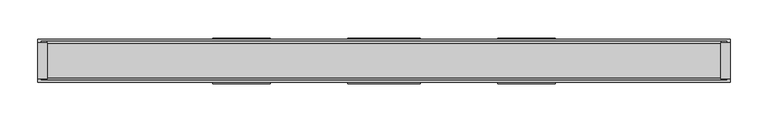
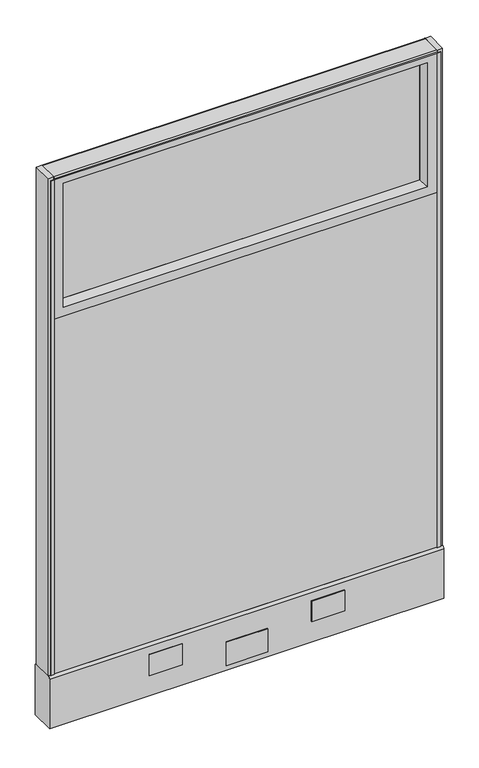
"""IFC4 building model written with IfcOpenShell, lengths in millimetres: furniture geometry."""

from ifc_helpers import new_model, si_unit, point, frame, frame_2d, origin, place, context, project, spatial, polyline, circle_curve, trimmed, segment, composite_curve, outline, extrude, faceted_brep, source, transform, mapped, element, save
from ifc_brep_helpers import plane_surface, cylinder_surface, advanced_brep


def furniture_c2518dbf(model_context):
    return source(origin(), model_context, "Body", "SolidModel", [
        extrude(outline(polyline([(444.5, 23.8125), (444.5, 0.0), (-444.5, 0.0), (-444.5, 23.8125), (444.5, 23.8125)])), frame((0.0, 0.0, 136.525), z_axis=(0.0, 0.0, 1.0), x_axis=(1.0, 0.0, 0.0)), (0.0, 0.0, 1.0), 869.9500242),
        extrude(outline(polyline([(415.9280802, 3.5657282), (415.9280802, -3.5657282), (-415.9209786, -3.5657282), (-415.9209786, 3.5657282), (415.9280802, 3.5657282)])), frame((0.0, 0.0, 1035.0500242), z_axis=(0.0, 0.0, 1.0), x_axis=(1.0, 0.0, 0.0)), (0.0, 0.0, 1.0), 290.5125727),
        faceted_brep([(422.2790846, 23.8125, 1028.6990198), (415.9280802, 3.5657282, 1035.0500242), (415.9280802, 3.5657282, 1325.5625969), (422.2790846, 23.8125, 1331.9136014), (444.5030802, -23.8125, 1006.4750242), (444.5030802, 23.8125, 1006.4750242), (444.5030802, 23.8125, 1354.1375969), (444.5030802, -23.8125, 1354.1375969), (415.9280802, -3.5657282, 1035.0500242), (422.2790846, -23.8125, 1028.6990198), (422.2790846, -23.8125, 1331.9136014), (415.9280802, -3.5657282, 1325.5625969), (-415.9209786, 3.5657282, 1325.5625969), (-422.2719831, 23.8125, 1331.9136014), (-444.4959786, 23.8125, 1354.1375969), (-444.4959786, -23.8125, 1354.1375969), (-422.2719831, -23.8125, 1331.9136014), (-415.9209786, -3.5657282, 1325.5625969), (-415.9209786, 3.5657282, 1035.0500242), (-422.2719831, 23.8125, 1028.6990198), (-444.4959786, 23.8125, 1006.4750242), (-444.4959786, -23.8125, 1006.4750242), (-422.2719831, -23.8125, 1028.6990198), (-415.9209786, -3.5657282, 1035.0500242)], [[[0, 1, 2, 3]], [[4, 5, 6, 7]], [[8, 9, 10, 11]], [[1, 8, 11, 2]], [[3, 2, 12, 13]], [[7, 6, 14, 15]], [[11, 10, 16, 17]], [[2, 11, 17, 12]], [[13, 12, 18, 19]], [[15, 14, 20, 21]], [[17, 16, 22, 23]], [[12, 17, 23, 18]], [[19, 18, 1, 0]], [[5, 20, 14, 6], [3, 13, 19, 0]], [[21, 20, 5, 4]], [[7, 15, 21, 4], [9, 22, 16, 10]], [[23, 22, 9, 8]], [[18, 23, 8, 1]]]),
        extrude(outline(polyline([(47.625, 28.575), (-47.625, 28.575), (-47.625, 30.1625), (47.625, 30.1625), (47.625, 28.575)])), frame((0.0, 0.0, 22.225), z_axis=(0.0, 0.0, 1.0), x_axis=(1.0, 0.0, 0.0)), (0.0, 0.0, 1.0), 57.15),
        extrude(outline(polyline([(47.625, -30.1625), (-47.625, -30.1625), (-47.625, -28.575), (47.625, -28.575), (47.625, -30.1625)])), frame((0.0, 0.0, 22.225), z_axis=(0.0, 0.0, 1.0), x_axis=(1.0, 0.0, 0.0)), (0.0, 0.0, 1.0), 57.15),
        advanced_brep(
        [(400.05, 0.0, 0.0), (425.45, 0.0, 0.0), (412.75, 0.0, 0.0), (400.05, 0.0, 4.7625), (425.45, 0.0, 4.7625), (406.4, 0.0, 4.7625), (419.1, 0.0, 4.7625), (406.4, 0.0, 111.125), (419.1, 0.0, 111.125), (412.75, 0.0, 111.125)],
        [
            (0, 1, circle_curve(frame((412.75, 0.0, 0.0), z_axis=(0.0, 0.0, -1.0), x_axis=(1.0, 0.0, 0.0)), 12.7)),
            (1, 2),
            (2, 0),
            (1, 0, circle_curve(frame((412.75, 0.0, 0.0), z_axis=(0.0, 0.0, -1.0), x_axis=(1.0, 0.0, 0.0)), 12.7)),
            (3, 4, circle_curve(frame((412.75, 0.0, 4.7625), z_axis=(0.0, 0.0, -1.0), x_axis=(1.0, 0.0, 0.0)), 12.7)),
            (4, 1),
            (0, 3),
            (4, 3, circle_curve(frame((412.75, 0.0, 4.7625), z_axis=(0.0, 0.0, -1.0), x_axis=(1.0, 0.0, 0.0)), 12.7)),
            (5, 6, circle_curve(frame((412.75, 0.0, 4.7625), z_axis=(0.0, 0.0, -1.0), x_axis=(1.0, 0.0, 0.0)), 6.35)),
            (6, 4),
            (3, 5),
            (6, 5, circle_curve(frame((412.75, 0.0, 4.7625), z_axis=(0.0, 0.0, -1.0), x_axis=(1.0, 0.0, 0.0)), 6.35)),
            (7, 8, circle_curve(frame((412.75, 0.0, 111.125), z_axis=(0.0, 0.0, -1.0), x_axis=(1.0, 0.0, 0.0)), 6.35)),
            (8, 6),
            (5, 7),
            (8, 7, circle_curve(frame((412.75, 0.0, 111.125), z_axis=(0.0, 0.0, -1.0), x_axis=(1.0, 0.0, 0.0)), 6.35)),
            (9, 8),
            (7, 9),
        ],
        [
            plane_surface(frame((412.75, 0.0, 0.0), z_axis=(0.0, 0.0, -1.0), x_axis=(1.0, 0.0, 0.0))),
            cylinder_surface(frame((412.75, 0.0, 114.882153), z_axis=(0.0, 0.0, 1.0), x_axis=(1.0, 0.0, 0.0)), 12.7),
            plane_surface(frame((412.75, 0.0, 4.7625), z_axis=(0.0, 0.0, 1.0), x_axis=(1.0, 0.0, 0.0))),
            cylinder_surface(frame((412.75, 0.0, 114.882153), z_axis=(0.0, 0.0, 1.0), x_axis=(1.0, 0.0, 0.0)), 6.35),
            plane_surface(frame((412.75, 0.0, 111.125), z_axis=(0.0, 0.0, 1.0), x_axis=(1.0, 0.0, 0.0))),
        ],
        [
            (0, [[1, 2, 3]]),
            (0, [[4, -3, -2]]),
            (1, [[5, 6, -1, 7]]),
            (1, [[8, -7, -4, -6]]),
            (2, [[9, 10, -5, 11]]),
            (2, [[12, -11, -8, -10]]),
            (3, [[13, 14, -9, 15]]),
            (3, [[16, -15, -12, -14]]),
            (4, [[17, -13, 18]]),
            (4, [[-18, -16, -17]]),
        ],
    ),
        advanced_brep(
        [(-425.45, 0.0, 4.7625), (-400.05, 0.0, 4.7625), (-400.05, 0.0, 0.0), (-425.45, 0.0, 0.0), (-419.1, 0.0, 4.7625), (-406.4, 0.0, 4.7625), (-419.1, 0.0, 111.125), (-406.4, 0.0, 111.125), (-412.75, 0.0, 111.125), (-412.75, 0.0, 0.0)],
        [
            (0, 1, circle_curve(frame((-412.75, 0.0, 4.7625), z_axis=(0.0, 0.0, -1.0), x_axis=(1.0, 0.0, 0.0)), 12.7)),
            (1, 2),
            (2, 3, circle_curve(frame((-412.75, 0.0, 0.0), z_axis=(0.0, 0.0, 1.0), x_axis=(1.0, 0.0, 0.0)), 12.7)),
            (3, 0),
            (1, 0, circle_curve(frame((-412.75, 0.0, 4.7625), z_axis=(0.0, 0.0, -1.0), x_axis=(1.0, 0.0, 0.0)), 12.7)),
            (3, 2, circle_curve(frame((-412.75, 0.0, 0.0), z_axis=(0.0, 0.0, 1.0), x_axis=(1.0, 0.0, 0.0)), 12.7)),
            (4, 5, circle_curve(frame((-412.75, 0.0, 4.7625), z_axis=(0.0, 0.0, -1.0), x_axis=(1.0, 0.0, 0.0)), 6.35)),
            (5, 1),
            (0, 4),
            (5, 4, circle_curve(frame((-412.75, 0.0, 4.7625), z_axis=(0.0, 0.0, -1.0), x_axis=(1.0, 0.0, 0.0)), 6.35)),
            (6, 7, circle_curve(frame((-412.75, 0.0, 111.125), z_axis=(0.0, 0.0, -1.0), x_axis=(1.0, 0.0, 0.0)), 6.35)),
            (7, 5),
            (4, 6),
            (7, 6, circle_curve(frame((-412.75, 0.0, 111.125), z_axis=(0.0, 0.0, -1.0), x_axis=(1.0, 0.0, 0.0)), 6.35)),
            (8, 7),
            (6, 8),
            (2, 9),
            (9, 3),
        ],
        [
            cylinder_surface(frame((-412.75, 0.0, 123.825), z_axis=(0.0, 0.0, 1.0), x_axis=(1.0, 0.0, 0.0)), 12.7),
            plane_surface(frame((-412.75, 0.0, 4.7625), z_axis=(0.0, 0.0, 1.0), x_axis=(1.0, 0.0, 0.0))),
            cylinder_surface(frame((-412.75, 0.0, 123.825), z_axis=(0.0, 0.0, 1.0), x_axis=(1.0, 0.0, 0.0)), 6.35),
            plane_surface(frame((-412.75, 0.0, 111.125), z_axis=(0.0, 0.0, 1.0), x_axis=(1.0, 0.0, 0.0))),
            plane_surface(frame((-412.75, 0.0, 0.0), z_axis=(0.0, 0.0, -1.0), x_axis=(1.0, 0.0, 0.0))),
        ],
        [
            (0, [[1, 2, 3, 4]]),
            (0, [[5, -4, 6, -2]]),
            (1, [[7, 8, -1, 9]]),
            (1, [[10, -9, -5, -8]]),
            (2, [[11, 12, -7, 13]]),
            (2, [[14, -13, -10, -12]]),
            (3, [[15, -11, 16]]),
            (3, [[-16, -14, -15]]),
            (4, [[-3, 17, 18]]),
            (4, [[-6, -18, -17]]),
        ],
    ),
        extrude(outline(polyline([(-457.2, 23.8125), (-444.5, 23.8125), (-444.5, -23.8125), (-457.2, -23.8125), (-457.2, 23.8125)])), frame((0.0, 0.0, 136.525), z_axis=(0.0, 0.0, 1.0), x_axis=(1.0, 0.0, 0.0)), (0.0, 0.0, 1.0), 1219.2),
        extrude(outline(polyline([(444.5, -23.8125), (444.5, 23.8125), (457.2, 23.8125), (457.2, -23.8125), (444.5, -23.8125)])), frame((0.0, 0.0, 136.525), z_axis=(0.0, 0.0, 1.0), x_axis=(1.0, 0.0, 0.0)), (0.0, 0.0, 1.0), 1219.2),
        extrude(outline(polyline([(-444.5, 25.4), (-444.5, 23.8125), (-452.4375, 23.8125), (-452.4375, 25.4), (-444.5, 25.4)])), frame((0.0, 0.0, 136.525), z_axis=(0.0, 0.0, 1.0), x_axis=(1.0, 0.0, 0.0)), (0.0, 0.0, 1.0), 1212.85),
        extrude(outline(polyline([(-444.5, -25.4), (-452.4375, -25.4), (-452.4375, -23.8125), (-444.5, -23.8125), (-444.5, -25.4)])), frame((0.0, 0.0, 136.525), z_axis=(0.0, 0.0, 1.0), x_axis=(1.0, 0.0, 0.0)), (0.0, 0.0, 1.0), 1212.85),
        extrude(outline(polyline([(452.4375, 23.8125), (444.5, 23.8125), (444.5, 25.4), (452.4375, 25.4), (452.4375, 23.8125)])), frame((0.0, 0.0, 136.525), z_axis=(0.0, 0.0, 1.0), x_axis=(1.0, 0.0, 0.0)), (0.0, 0.0, 1.0), 1212.85),
        extrude(outline(polyline([(444.5, -25.4), (444.5, -23.8125), (452.4375, -23.8125), (452.4375, -25.4), (444.5, -25.4)])), frame((0.0, 0.0, 136.525), z_axis=(0.0, 0.0, 1.0), x_axis=(1.0, 0.0, 0.0)), (0.0, 0.0, 1.0), 1212.85),
        extrude(outline(composite_curve([segment(trimmed(circle_curve(frame_2d((22.225, 1352.55)), 3.175), [point((22.225, 1355.725))], [point((25.4, 1352.55))], False, "CARTESIAN"), True, "CONTINUOUS"), segment(polyline([(25.4, 1352.55), (25.4, 1349.375), (-25.4, 1349.375), (-25.4, 1352.55)]), True, "CONTINUOUS"), segment(trimmed(circle_curve(frame_2d((-22.225, 1352.55)), 3.175), [point((-25.4, 1352.55))], [point((-22.225, 1355.725))], False, "CARTESIAN"), True, "CONTINUOUS"), segment(polyline([(-22.225, 1355.725), (22.225, 1355.725)]), True, "CONTINUOUS")], self_intersect=False)), frame((-444.5, 0.0, 0.0), z_axis=(1.0, 0.0, 0.0), x_axis=(0.0, 1.0, 0.0)), (0.0, 0.0, 1.0), 889.0),
        extrude(outline(polyline([(226.314, 30.1625), (226.314, 28.575), (150.114, 28.575), (150.114, 30.1625), (226.314, 30.1625)])), frame((0.0, 0.0, 60.325), z_axis=(0.0, 0.0, 1.0), x_axis=(1.0, 0.0, 0.0)), (0.0, 0.0, 1.0), 50.8),
        extrude(outline(polyline([(-150.114, 30.1625), (-150.114, 28.575), (-226.314, 28.575), (-226.314, 30.1625), (-150.114, 30.1625)])), frame((0.0, 0.0, 60.325), z_axis=(0.0, 0.0, 1.0), x_axis=(1.0, 0.0, 0.0)), (0.0, 0.0, 1.0), 50.8),
        extrude(outline(polyline([(226.314, -28.575), (226.314, -30.1625), (150.114, -30.1625), (150.114, -28.575), (226.314, -28.575)])), frame((0.0, 0.0, 60.325), z_axis=(0.0, 0.0, 1.0), x_axis=(1.0, 0.0, 0.0)), (0.0, 0.0, 1.0), 50.8),
        extrude(outline(polyline([(-150.114, -28.575), (-150.114, -30.1625), (-226.314, -30.1625), (-226.314, -28.575), (-150.114, -28.575)])), frame((0.0, 0.0, 60.325), z_axis=(0.0, 0.0, 1.0), x_axis=(1.0, 0.0, 0.0)), (0.0, 0.0, 1.0), 50.8),
        extrude(outline(composite_curve([segment(polyline([(28.575, 9.525), (-28.575, 9.525), (-28.575, 130.96875)]), True, "CONTINUOUS"), segment(trimmed(circle_curve(frame_2d((-23.01875, 130.96875)), 5.55625), [point((-28.575, 130.96875))], [point((-23.01875, 136.525))], False, "CARTESIAN"), True, "CONTINUOUS"), segment(polyline([(-23.01875, 136.525), (23.01875, 136.525)]), True, "CONTINUOUS"), segment(trimmed(circle_curve(frame_2d((23.01875, 130.96875)), 5.55625), [point((23.01875, 136.525))], [point((28.575, 130.96875))], False, "CARTESIAN"), True, "CONTINUOUS"), segment(polyline([(28.575, 130.96875), (28.575, 9.525)]), True, "CONTINUOUS")], self_intersect=False)), frame((-457.2, 0.0, 0.0), z_axis=(1.0, 0.0, 0.0), x_axis=(0.0, 1.0, 0.0)), (0.0, 0.0, 1.0), 914.4),
        extrude(outline(polyline([(444.5, 0.0), (444.5, -23.8125), (-444.5, -23.8125), (-444.5, 0.0), (444.5, 0.0)])), frame((0.0, 0.0, 136.525), z_axis=(0.0, 0.0, 1.0), x_axis=(1.0, 0.0, 0.0)), (0.0, 0.0, 1.0), 869.9500242),
    ])


if __name__ == "__main__":
    model = new_model("IFC4")
    model_context = context("Model", 3, world=origin())
    ifc_project = project(units=[si_unit("LENGTHUNIT", "METRE", prefix="MILLI")], contexts=[model_context])
    site = spatial("IfcSite", under=ifc_project)
    building = spatial("IfcBuilding", under=site)
    placement = place(None, origin())
    furniture_shape = furniture_c2518dbf(model_context)
    element("IfcFurniture", 1, at=placement, inside=building, context=model_context, shape_type="MappedRepresentation", body=[
        mapped(furniture_shape, transform((0.0, 0.0, 0.0), x_axis=(1.0, 0.0, 0.0), y_axis=(0.0, 1.0, 0.0), z_axis=(0.0, 0.0, 1.0))),
    ])
    save(model, "model.ifc")
